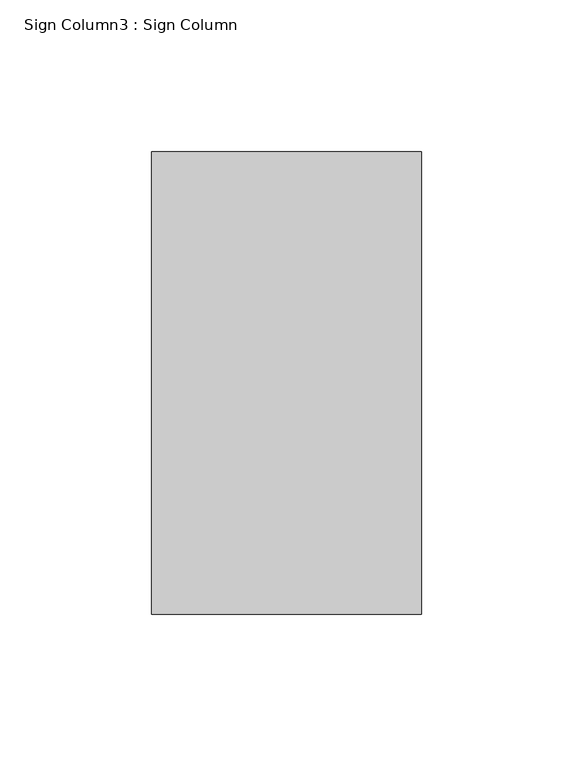
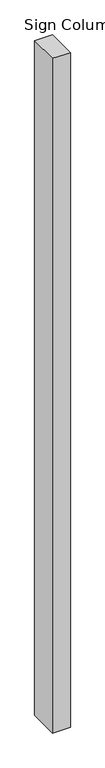
"""IFC4 building model written with IfcOpenShell, lengths in millimetres: proxy geometry, Sign Column3 : Sign Column."""

from ifc_helpers import new_model, si_unit, frame, origin, place, context, project, spatial, polyline, outline, extrude, source, transform, mapped, element, save


def sign_column3_sign_column_10f32654(model_context):
    return source(origin(), model_context, "Body", "SweptSolid", [
        extrude(outline(polyline([(227895.9228488, 156293.3096581), (227895.9228488, 156140.9096581), (227807.0228488, 156140.9096581), (227807.0228488, 156293.3096581), (227895.9228488, 156293.3096581)])), frame((0.0, 0.0, 137.4092564), z_axis=(0.0, 0.0, 1.0), x_axis=(1.0, 0.0, 0.0)), (0.0, 0.0, 1.0), 3537.222149),
    ])


if __name__ == "__main__":
    model = new_model("IFC4")
    model_context = context("Model", 3, world=origin())
    ifc_project = project(units=[si_unit("LENGTHUNIT", "METRE", prefix="MILLI")], contexts=[model_context])
    site = spatial("IfcSite", under=ifc_project)
    building = spatial("IfcBuilding", under=site)
    placement = place(None, origin())
    sign_column3_sign_column_shape = sign_column3_sign_column_10f32654(model_context)
    element("IfcBuildingElementProxy", 1, Name="Sign Column3 : Sign Column", ObjectType="Sign Column3 : Sign Column", at=placement, inside=building, context=model_context, shape_type="MappedRepresentation", body=[
        mapped(sign_column3_sign_column_shape, transform((0.0, 0.0, 0.0), x_axis=(1.0, 0.0, 0.0), y_axis=(0.0, 1.0, 0.0), z_axis=(0.0, 0.0, 1.0))),
    ])
    save(model, "model.ifc")
